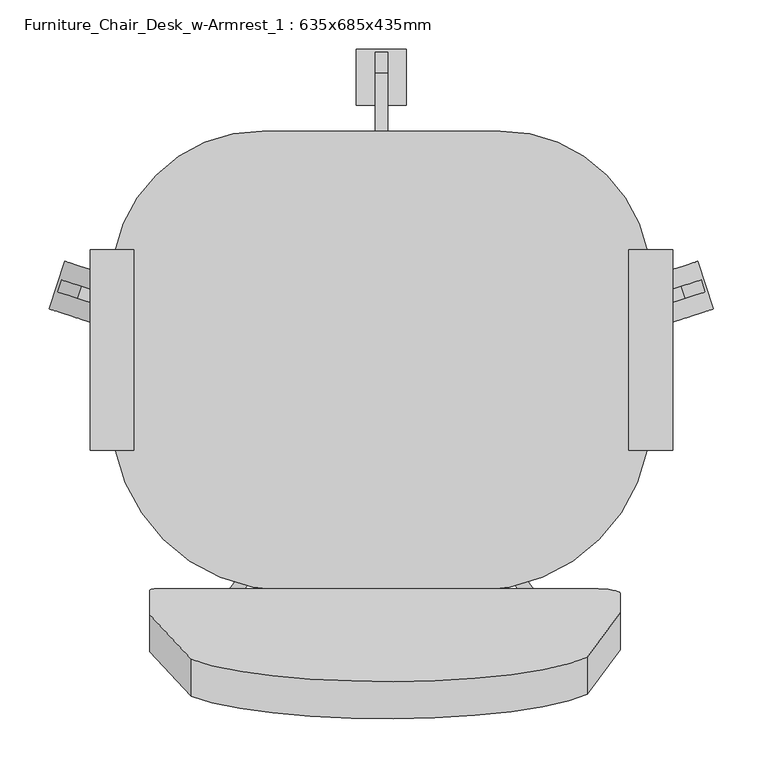
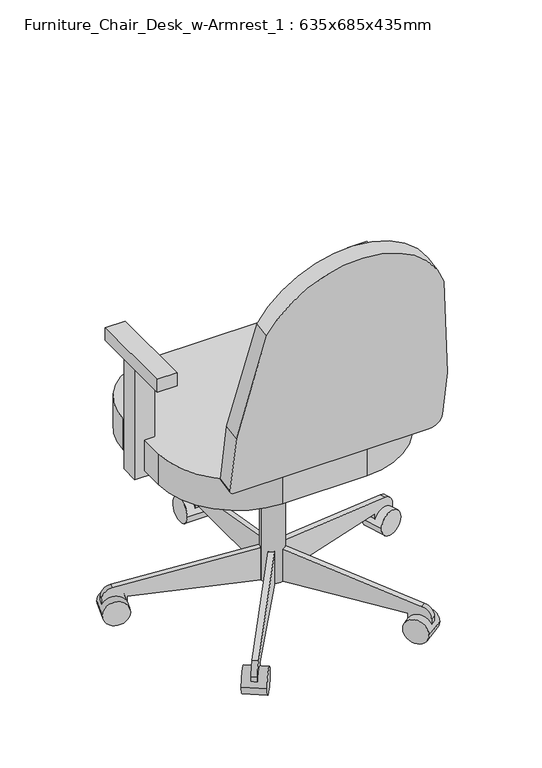
"""IFC4 building model written with IfcOpenShell, lengths in millimetres: furniture geometry, Furniture_Chair_Desk_w-Armrest_1 : 635x685x435mm."""

import ifcopenshell
import ifcopenshell.guid

model = None  # the IFC model being written
_history = None  # IfcOwnerHistory: only IFC2X3 demands one
_inside = {}  # id of a spatial element -> (the spatial element, [elements in it])
_under = {}  # id of a project, library or spatial element -> (it, [spatial elements below it])
_declared = {}  # id of a project -> (the project, [libraries it declares])
_typed = {}  # id of a type object -> (the type object, [elements of that type])
_made_of = {}  # id of a material, layer set ... -> (it, [elements and type objects made of it])


def new_model(schema):
    """Start an empty IFC model of exactly this schema.

    Asked for "IFC4X3", IfcOpenShell would pick the latest addendum, in which some entities
    have other attributes; the version numbers below select the first issue.
    IFC2X3 requires an IfcOwnerHistory on every rooted entity: one is made here for all.
    """
    global model, _history
    if schema == "IFC4X3":
        model = ifcopenshell.file(schema_version=(4, 3, 0, 0))
    else:
        model = ifcopenshell.file(schema=schema)
    _inside.clear()
    _under.clear()
    _declared.clear()
    _typed.clear()
    _made_of.clear()
    _history = None
    if model.schema == "IFC2X3":
        org = make("IfcOrganization", Name="unknown")
        user = make(
            "IfcPersonAndOrganization",
            ThePerson=make("IfcPerson", FamilyName="unknown"),
            TheOrganization=org,
        )
        app = make(
            "IfcApplication",
            ApplicationDeveloper=org,
            Version="unknown",
            ApplicationFullName="unknown",
            ApplicationIdentifier="unknown",
        )
        _history = make(
            "IfcOwnerHistory",
            OwningUser=user,
            OwningApplication=app,
            ChangeAction="ADDED",
            CreationDate=0,
        )
    return model


def make(cls, **values):
    """One entity of the class cls with the attributes given. An attribute that is None is left unset."""
    return model.create_entity(
        cls, **{name: value for name, value in values.items() if value is not None}
    )


def rooted(cls, **values):
    """An entity with a GlobalId (a new one), such as an element, a storey or a relation."""
    return make(cls, GlobalId=ifcopenshell.guid.new(), OwnerHistory=_history, **values)


def si_unit(unit_type, name, prefix=None):
    """IfcSIUnit, for example si_unit("LENGTHUNIT", "METRE", prefix="MILLI")."""
    return make("IfcSIUnit", UnitType=unit_type, Prefix=prefix, Name=name)


def assignment(units):
    """IfcUnitAssignment: the units of a project."""
    return None if units is None else make("IfcUnitAssignment", Units=units)


def point(xyz):
    """IfcCartesianPoint."""
    return None if xyz is None else make("IfcCartesianPoint", Coordinates=xyz)


def direction(xyz):
    """IfcDirection."""
    return None if xyz is None else make("IfcDirection", DirectionRatios=xyz)


def frame(location, z_axis=None, x_axis=None):
    """IfcAxis2Placement3D, a coordinate frame: its origin and axes. An axis left out is left unset."""
    return make(
        "IfcAxis2Placement3D",
        Location=point(location),
        Axis=direction(z_axis),
        RefDirection=direction(x_axis),
    )


def frame_2d(location, x_axis=None):
    """IfcAxis2Placement2D, a coordinate frame in the plane: its origin and x axis."""
    return make(
        "IfcAxis2Placement2D", Location=point(location), RefDirection=direction(x_axis)
    )


def origin():
    """The frame at (0, 0, 0) with its axes left unset."""
    return frame((0.0, 0.0, 0.0))


def place(relative_to, where):
    """IfcLocalPlacement: puts the frame where relative to a parent placement (None: the world)."""
    return make(
        "IfcLocalPlacement", PlacementRelTo=relative_to, RelativePlacement=where
    )


def context(
    kind, dimensions, precision=None, world=None, true_north=None, identifier=None
):
    """IfcGeometricRepresentationContext, for example the 3D "Model" context."""
    return make(
        "IfcGeometricRepresentationContext",
        ContextIdentifier=identifier,
        ContextType=kind,
        CoordinateSpaceDimension=dimensions,
        Precision=precision,
        WorldCoordinateSystem=world,
        TrueNorth=true_north,
    )


def project(units=None, contexts=None):
    """IfcProject with its units and contexts."""
    return rooted(
        "IfcProject",
        Name="project",
        RepresentationContexts=contexts,
        UnitsInContext=assignment(units),
    )


def spatial(cls, under=None, at=None, **own):
    """A site, building, storey or space (cls), placed at a placement, below another one or the project."""
    s = rooted(cls, ObjectPlacement=at, **own)
    if under is not None:
        _under.setdefault(under.id(), (under, []))[1].append(s)
    return s


def polyline(points):
    """IfcPolyline through the points."""
    return make("IfcPolyline", Points=[point(p) for p in points])


def circle_curve(where, radius):
    """IfcCircle in the frame where."""
    return make("IfcCircle", Position=where, Radius=radius)


def trimmed(basis, trim1, trim2, sense, master):
    """IfcTrimmedCurve: the piece of a basis curve between two trims."""
    return make(
        "IfcTrimmedCurve",
        BasisCurve=basis,
        Trim1=trim1,
        Trim2=trim2,
        SenseAgreement=sense,
        MasterRepresentation=master,
    )


def segment(curve, same_sense, transition):
    """IfcCompositeCurveSegment."""
    return make(
        "IfcCompositeCurveSegment",
        Transition=transition,
        SameSense=same_sense,
        ParentCurve=curve,
    )


def composite_curve(segments, self_intersect=None):
    """IfcCompositeCurve: segments joined end to end."""
    return make("IfcCompositeCurve", Segments=segments, SelfIntersect=self_intersect)


def outline(outer, holes=None, kind="AREA"):
    """IfcArbitraryClosedProfileDef: a profile drawn as a closed curve; with holes, ...WithVoids."""
    if holes is None:
        return make("IfcArbitraryClosedProfileDef", ProfileType=kind, OuterCurve=outer)
    return make(
        "IfcArbitraryProfileDefWithVoids",
        ProfileType=kind,
        OuterCurve=outer,
        InnerCurves=holes,
    )


def extrude(swept, where, along, depth):
    """IfcExtrudedAreaSolid: the profile swept, set in the frame where, extruded along a direction by depth."""
    return make(
        "IfcExtrudedAreaSolid",
        SweptArea=swept,
        Position=where,
        ExtrudedDirection=direction(along),
        Depth=depth,
    )


def shape(context_of_items, identifier, shape_type, items):
    """IfcShapeRepresentation: the items that make up one representation, for example the "Body"."""
    return make(
        "IfcShapeRepresentation",
        ContextOfItems=context_of_items,
        RepresentationIdentifier=identifier,
        RepresentationType=shape_type,
        Items=items,
    )


def source(mapping_origin, context_of_items, identifier, shape_type, items):
    """IfcRepresentationMap: a shape defined once, which mapped items show again and again."""
    return make(
        "IfcRepresentationMap",
        MappingOrigin=mapping_origin,
        MappedRepresentation=shape(context_of_items, identifier, shape_type, items),
    )


def transform(
    local_origin,
    x_axis=None,
    y_axis=None,
    z_axis=None,
    scale=None,
    scale2=None,
    scale3=None,
    uniform=True,
):
    """IfcCartesianTransformationOperator3D, or its non-uniform kind. x_axis, y_axis, z_axis: its Axis1, 2, 3."""
    if uniform:
        return make(
            "IfcCartesianTransformationOperator3D",
            Axis1=direction(x_axis),
            Axis2=direction(y_axis),
            LocalOrigin=point(local_origin),
            Scale=scale,
            Axis3=direction(z_axis),
        )
    return make(
        "IfcCartesianTransformationOperator3DnonUniform",
        Axis1=direction(x_axis),
        Axis2=direction(y_axis),
        LocalOrigin=point(local_origin),
        Scale=scale,
        Axis3=direction(z_axis),
        Scale2=scale2,
        Scale3=scale3,
    )


def mapped(mapping_source, mapping_target):
    """IfcMappedItem: shows the shape of a source again, moved by a transform."""
    return make(
        "IfcMappedItem", MappingSource=mapping_source, MappingTarget=mapping_target
    )


def made_of(thing, what):
    """Note that an element or type object is made of a material, layer set ...; save() writes the relation."""
    if what is not None:
        _made_of.setdefault(what.id(), (what, []))[1].append(thing)
    return thing


def element(
    cls,
    number,
    at=None,
    inside=None,
    cuts=None,
    type_object=None,
    material=None,
    context=None,
    identifier="Body",
    shape_type=None,
    held_by="IfcProductDefinitionShape",
    body=None,
    shapes=None,
    **own,
):
    """One element of the class cls, such as IfcWall. Its Tag is "e" and its number.

    at: its placement. inside: the storey or other place that contains it. cuts: it is an
    opening in that element (IfcRelVoidsElement). A single representation is given by context,
    identifier, shape_type and body (its items); several are given by shapes. held_by: the class
    of the entity that holds the representations. save() writes the other relations.
    """
    e = rooted(cls, Tag="e%d" % number, ObjectPlacement=at, **own)
    if body is not None:
        shapes = [shape(context, identifier, shape_type, body)]
    if shapes is not None:
        e.Representation = make(held_by, Representations=shapes)
    if inside is not None:
        _inside.setdefault(inside.id(), (inside, []))[1].append(e)
    if cuts is not None:
        rooted(
            "IfcRelVoidsElement", RelatingBuildingElement=cuts, RelatedOpeningElement=e
        )
    if type_object is not None:
        _typed.setdefault(type_object.id(), (type_object, []))[1].append(e)
    return made_of(e, material)


def aggregate(whole, parts):
    """IfcRelAggregates: a whole, such as a stair, and the parts it consists of."""
    return rooted("IfcRelAggregates", RelatingObject=whole, RelatedObjects=parts)


def save(model, path):
    """Write the relations noted so far, then the file.

    IfcRelAggregates (storeys below a building ...), IfcRelContainedInSpatialStructure (elements
    in a storey), IfcRelDefinesByType, IfcRelAssociatesMaterial and IfcRelDeclares: one each for
    every whole, place, type object, material and project.
    """
    for whole, parts in _under.values():
        aggregate(whole, parts)
    for where, things in _inside.values():
        rooted(
            "IfcRelContainedInSpatialStructure",
            RelatedElements=things,
            RelatingStructure=where,
        )
    for kind, things in _typed.values():
        rooted("IfcRelDefinesByType", RelatedObjects=things, RelatingType=kind)
    for what, things in _made_of.values():
        rooted("IfcRelAssociatesMaterial", RelatedObjects=things, RelatingMaterial=what)
    for by, libraries in _declared.values():
        rooted("IfcRelDeclares", RelatingContext=by, RelatedDefinitions=libraries)
    model.write(path)


def furniture_chair_desk_w_armrest_1_635x685x435mm_6260a60a(model_context):
    return source(origin(), model_context, "Body", "SweptSolid", [
        extrude(outline(polyline([(-154.2841803, 161.62653), (-109.8341803, 161.62653), (-109.8341803, -41.57347), (-154.2841803, -41.57347), (-154.2841803, 161.62653)])), frame((0.0, 0.0, 632.7780105), z_axis=(0.0, 0.0, 1.0), x_axis=(1.0, 0.0, 0.0)), (0.0, 0.0, 1.0), 30.0),
        extrude(outline(polyline([(391.8158197, 161.324847), (436.2658197, 161.324847), (436.2658197, -41.875153), (391.8158197, -41.875153), (391.8158197, 161.324847)])), frame((0.0, 0.0, 632.3240398), z_axis=(0.0, 0.0, 1.0), x_axis=(1.0, 0.0, 0.0)), (0.0, 0.0, 1.0), 30.0),
        extrude(outline(composite_curve([segment(trimmed(circle_curve(frame_2d((0.0, -27.6561588)), 27.6561588), [point((0.0, 0.0))], [point((27.6561588, -27.6561588))], False, "CARTESIAN"), True, "CONTINUOUS"), segment(polyline([(27.6561588, -27.6561588), (27.6561588, -141.4842147)]), True, "CONTINUOUS"), segment(trimmed(circle_curve(frame_2d((-1476.537228, -78.4318597)), 1505.5143122), [point((27.6561588, -141.4842147))], [point((-6.0937702, -401.4943643))], False, "CARTESIAN"), True, "CONTINUOUS"), segment(trimmed(circle_curve(frame_2d((-209.1236107, -326.2628685)), 216.5199624), [point((-6.0937702, -401.4943643))], [point((-407.3099896, -413.4583577))], False, "CARTESIAN"), True, "CONTINUOUS"), segment(trimmed(circle_curve(frame_2d((1050.0342377, -44.1101797)), 1503.4195268), [point((-407.3099896, -413.4583577))], [point((-449.5422568, -151.5374139))], False, "CARTESIAN"), True, "CONTINUOUS"), segment(polyline([(-449.5422568, -151.5374139), (-449.5422568, -10.6535834)]), True, "CONTINUOUS"), segment(trimmed(circle_curve(frame_2d((-438.8886734, -10.6535834)), 10.6535834), [point((-449.5422568, -10.6535834))], [point((-438.8886734, 0.0))], False, "CARTESIAN"), True, "CONTINUOUS"), segment(polyline([(-438.8886734, 0.0), (0.0, 0.0)]), True, "CONTINUOUS")], self_intersect=False)), frame((355.6238802, -219.5941034, 474.9450578), z_axis=(0.0, 0.9848077530122085, 0.1736481776669285), x_axis=(1.0, 0.0, 0.0)), (0.0, 0.0, 1.0), 38.1),
        extrude(outline(composite_curve([segment(trimmed(circle_curve(frame_2d((20.3408197, 129.4961016)), 152.4), [point((-132.0591803, 129.4961016))], [point((20.3408197, 281.8961016))], False, "CARTESIAN"), True, "CONTINUOUS"), segment(polyline([(20.3408197, 281.8961016), (261.6408197, 281.8961016)]), True, "CONTINUOUS"), segment(trimmed(circle_curve(frame_2d((261.6408197, 129.4961016)), 152.4), [point((261.6408197, 281.8961016))], [point((414.0408197, 129.4961016))], False, "CARTESIAN"), True, "CONTINUOUS"), segment(polyline([(414.0408197, 129.4961016), (414.0408197, -6.4540984)]), True, "CONTINUOUS"), segment(trimmed(circle_curve(frame_2d((236.2408197, -6.4540984)), 177.8), [point((414.0408197, -6.4540984))], [point((236.2408197, -184.2540984))], False, "CARTESIAN"), True, "CONTINUOUS"), segment(polyline([(236.2408197, -184.2540984), (45.7408197, -184.2540984)]), True, "CONTINUOUS"), segment(trimmed(circle_curve(frame_2d((45.7408197, -6.4540984)), 177.8), [point((45.7408197, -184.2540984))], [point((-132.0591803, -6.4540984))], False, "CARTESIAN"), True, "CONTINUOUS"), segment(polyline([(-132.0591803, -6.4540984), (-132.0591803, 129.4961016)]), True, "CONTINUOUS")], self_intersect=False)), frame((0.0, 0.0, 383.7835944), z_axis=(0.0, 0.0, 1.0), x_axis=(1.0, 0.0, 0.0)), (0.0, 0.0, 1.0), 73.4164056),
        extrude(outline(composite_curve([segment(trimmed(circle_curve(frame_2d((140.9908197, 18.9459016)), 25.4), [point((115.5908197, 18.9459016))], [point((166.3908197, 18.9459016))], False, "CARTESIAN"), True, "CONTINUOUS"), segment(trimmed(circle_curve(frame_2d((140.9908197, 18.9459016)), 25.4), [point((166.3908197, 18.9459016))], [point((115.5908197, 18.9459016))], False, "CARTESIAN"), True, "CONTINUOUS")], self_intersect=False)), frame((0.0, 0.0, 53.5835944), z_axis=(0.0, 0.0, 1.0), x_axis=(1.0, 0.0, 0.0)), (0.0, 0.0, 1.0), 330.5914056),
        extrude(outline(composite_curve([segment(trimmed(circle_curve(frame_2d((0.0, -28.2002727)), 28.2002727), [point((0.0, -56.4005455))], [point((0.0, 0.0))], False, "CARTESIAN"), True, "CONTINUOUS"), segment(trimmed(circle_curve(frame_2d((0.0, -28.2002727)), 28.2002727), [point((0.0, 0.0))], [point((0.0, -56.4005455))], False, "CARTESIAN"), True, "CONTINUOUS")], self_intersect=False)), frame((477.6203484, 101.6163254, 28.1835944), z_axis=(-0.3090169943749423, 0.9510565162951553, 0.0), x_axis=(0.0, 0.0, 1.0)), (0.0, 0.0, 1.0), 50.8),
        extrude(outline(composite_curve([segment(polyline([(-25.4, 0.0), (0.0, 0.0), (0.0, -50.8), (-24.303053, -50.8)]), True, "CONTINUOUS"), segment(trimmed(circle_curve(frame_2d((-24.303053, -25.4)), 25.4), [point((-24.303053, -50.8))], [point((-49.3171699, -29.8106637))], False, "CARTESIAN"), True, "CONTINUOUS"), segment(polyline([(-49.3171699, -29.8106637), (-101.6, 266.7), (-101.6, 292.1), (-25.4, 292.1), (-25.4, 0.0)]), True, "CONTINUOUS")], self_intersect=False)), frame((420.756686, 103.1705568, 28.1835944), z_axis=(-0.3090169943749423, 0.9510565162951553, 0.0), x_axis=(0.0, 0.0, -1.0)), (0.0, 0.0, 1.0), 12.7),
        extrude(outline(composite_curve([segment(trimmed(circle_curve(frame_2d((0.0, -28.2002727)), 28.2002727), [point((0.0, -56.4005455))], [point((0.0, 0.0))], False, "CARTESIAN"), True, "CONTINUOUS"), segment(trimmed(circle_curve(frame_2d((0.0, -28.2002727)), 28.2002727), [point((0.0, 0.0))], [point((0.0, -56.4005455))], False, "CARTESIAN"), True, "CONTINUOUS")], self_intersect=False)), frame((323.63931, -275.6612394, 28.1835944), z_axis=(0.8090169943749499, 0.5877852522924699, 0.0), x_axis=(0.0, 0.0, 1.0)), (0.0, 0.0, 1.0), 50.8),
        extrude(outline(composite_curve([segment(polyline([(-25.4, 0.0), (0.0, 0.0), (0.0, -50.8), (-24.303053, -50.8)]), True, "CONTINUOUS"), segment(trimmed(circle_curve(frame_2d((-24.303053, -25.3999999)), 25.4), [point((-24.303053, -50.8))], [point((-49.3171699, -29.8106636))], False, "CARTESIAN"), True, "CONTINUOUS"), segment(polyline([(-49.3171699, -29.8106636), (-101.6, 266.7), (-101.6, 292.1), (-25.4, 292.1), (-25.4, 0.0)]), True, "CONTINUOUS")], self_intersect=False)), frame((307.545634, -221.1003988, 28.1835944), z_axis=(0.8090169943749499, 0.5877852522924699, 0.0), x_axis=(0.0, 0.0, -1.0)), (0.0, 0.0, 1.0), 12.7),
        extrude(outline(composite_curve([segment(trimmed(circle_curve(frame_2d((0.0, -28.2002727)), 28.2002727), [point((0.0, -56.4005455))], [point((0.0, 0.0))], False, "CARTESIAN"), True, "CONTINUOUS"), segment(trimmed(circle_curve(frame_2d((0.0, -28.2002727)), 28.2002727), [point((0.0, 0.0))], [point((0.0, -56.4005455))], False, "CARTESIAN"), True, "CONTINUOUS")], self_intersect=False)), frame((-41.6576707, -275.6612394, 28.1835944), z_axis=(-0.8090169943749458, 0.5877852522924754, 0.0), x_axis=(0.0, 0.0, -1.0)), (0.0, 0.0, 1.0), 50.8),
        extrude(outline(composite_curve([segment(polyline([(25.4, 0.0), (25.4, 292.1), (101.6, 292.1), (101.6, 266.7), (49.3171699, -29.8106637)]), True, "CONTINUOUS"), segment(trimmed(circle_curve(frame_2d((24.303053, -25.3999999)), 25.4), [point((49.3171699, -29.8106637))], [point((24.303053, -50.8))], False, "CARTESIAN"), True, "CONTINUOUS"), segment(polyline([(24.303053, -50.8), (0.0, -50.8), (0.0, 0.0), (25.4, 0.0)]), True, "CONTINUOUS")], self_intersect=False)), frame((-25.5639946, -221.1003988, 28.1835944), z_axis=(-0.8090169943749459, 0.5877852522924754, 0.0), x_axis=(0.0, 0.0, 1.0)), (0.0, 0.0, 1.0), 12.7),
        extrude(outline(composite_curve([segment(trimmed(circle_curve(frame_2d((0.0, -28.2002727)), 28.2002727), [point((0.0, -56.4005454))], [point((0.0, 0.0))], False, "CARTESIAN"), True, "CONTINUOUS"), segment(trimmed(circle_curve(frame_2d((0.0, -28.2002727)), 28.2002727), [point((0.0, 0.0))], [point((0.0, -56.4005454))], False, "CARTESIAN"), True, "CONTINUOUS")], self_intersect=False)), frame((-195.638709, 101.6163254, 28.1835944), z_axis=(0.3090169943749487, 0.9510565162951532, 0.0), x_axis=(0.0, 0.0, -1.0)), (0.0, 0.0, 1.0), 50.8),
        extrude(outline(composite_curve([segment(polyline([(25.4, 0.0), (25.4, 292.1000001), (101.6, 292.1000001), (101.6, 266.7), (49.3171699, -29.8106636)]), True, "CONTINUOUS"), segment(trimmed(circle_curve(frame_2d((24.303053, -25.4)), 25.4), [point((49.3171699, -29.8106636))], [point((24.303053, -50.8))], False, "CARTESIAN"), True, "CONTINUOUS"), segment(polyline([(24.303053, -50.8), (0.0, -50.8), (0.0, 0.0), (25.4, 0.0)]), True, "CONTINUOUS")], self_intersect=False)), frame((-138.7750467, 103.1705568, 28.1835944), z_axis=(0.3090169943749487, 0.9510565162951532, 0.0), x_axis=(0.0, 0.0, 1.0)), (0.0, 0.0, 1.0), 12.7),
        extrude(outline(composite_curve([segment(trimmed(circle_curve(frame_2d((336.4459016, 28.1835944)), 28.2002727), [point((308.2456289, 28.1835944))], [point((364.6461744, 28.1835944))], False, "CARTESIAN"), True, "CONTINUOUS"), segment(trimmed(circle_curve(frame_2d((336.4459016, 28.1835944)), 28.2002727), [point((364.6461744, 28.1835944))], [point((308.2456289, 28.1835944))], False, "CARTESIAN"), True, "CONTINUOUS")], self_intersect=False)), frame((115.5908197, 0.0, 0.0), z_axis=(1.0, 0.0, 0.0), x_axis=(0.0, 1.0, 0.0)), (0.0, 0.0, 1.0), 50.8),
        extrude(outline(composite_curve([segment(polyline([(311.0459016, 53.5835944), (18.9459016, 53.5835944), (18.9459016, 129.7835944), (44.3459016, 129.7835944), (340.8565654, 77.5007643)]), True, "CONTINUOUS"), segment(trimmed(circle_curve(frame_2d((336.4459016, 52.4866474)), 25.4), [point((340.8565654, 77.5007643))], [point((361.8459016, 52.4866474))], False, "CARTESIAN"), True, "CONTINUOUS"), segment(polyline([(361.8459016, 52.4866474), (361.8459016, 28.1835944), (311.0459016, 28.1835944), (311.0459016, 53.5835944)]), True, "CONTINUOUS")], self_intersect=False)), frame((134.6408197, 0.0, 0.0), z_axis=(1.0, 0.0, 0.0), x_axis=(0.0, 1.0, 0.0)), (0.0, 0.0, 1.0), 12.7),
        extrude(outline(polyline([(69.7459016, 383.7835944), (69.7459016, 371.0835944), (18.9459016, 283.0954134), (-19.1540984, 283.0954134), (-19.1540984, 383.7835944), (69.7459016, 383.7835944)])), frame((90.1908197, 0.0, 0.0), z_axis=(1.0, 0.0, 0.0), x_axis=(0.0, 1.0, 0.0)), (0.0, 0.0, 1.0), 101.6),
        extrude(outline(polyline([(-109.8341803, 88.1794244), (-109.8341803, 46.3627762), (-154.2841803, 46.3627762), (-154.2841803, 88.1794244), (-109.8341803, 88.1794244)])), frame((0.0, 0.0, 371.0835944), z_axis=(0.0, 0.0, 1.0), x_axis=(1.0, 0.0, 0.0)), (0.0, 0.0, 1.0), 261.2404454),
        extrude(outline(polyline([(436.2658197, 88.1794244), (436.2658197, 46.3627762), (391.8158197, 46.3627762), (391.8158197, 88.1794244), (436.2658197, 88.1794244)])), frame((0.0, 0.0, 371.0835944), z_axis=(0.0, 0.0, 1.0), x_axis=(1.0, 0.0, 0.0)), (0.0, 0.0, 1.0), 261.2404454),
    ])


if __name__ == "__main__":
    model = new_model("IFC4")
    model_context = context("Model", 3, world=origin())
    ifc_project = project(units=[si_unit("LENGTHUNIT", "METRE", prefix="MILLI")], contexts=[model_context])
    site = spatial("IfcSite", under=ifc_project)
    building = spatial("IfcBuilding", under=site)
    placement = place(None, origin())
    furniture_chair_desk_w_armrest_1_635x685x435mm_shape = furniture_chair_desk_w_armrest_1_635x685x435mm_6260a60a(model_context)
    element("IfcFurniture", 1, ObjectType="Furniture_Chair_Desk_w-Armrest_1 : 635x685x435mm", at=placement, inside=building, context=model_context, shape_type="MappedRepresentation", body=[
        mapped(furniture_chair_desk_w_armrest_1_635x685x435mm_shape, transform((0.0, 0.0, 0.0), x_axis=(1.0, 0.0, 0.0), y_axis=(0.0, 1.0, 0.0), z_axis=(0.0, 0.0, 1.0))),
    ])
    save(model, "model.ifc")
